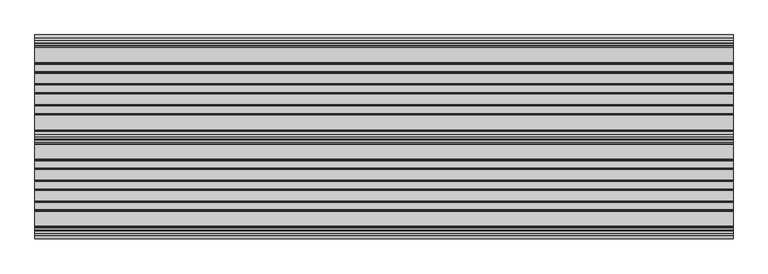
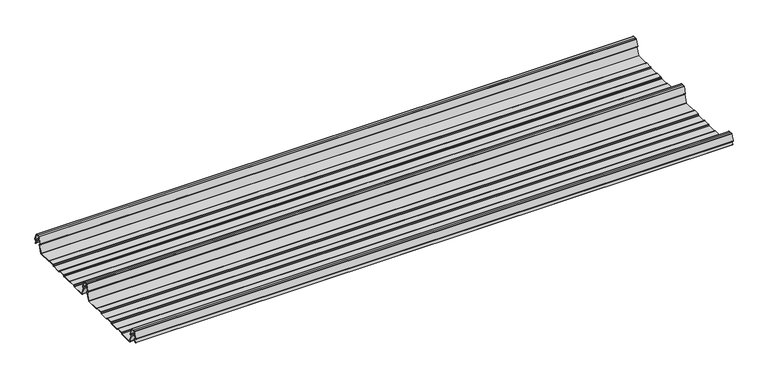
"""IFC4 building model written with IfcOpenShell, lengths in millimetres: beam geometry."""

from ifc_helpers import new_model, si_unit, point, frame, frame_2d, origin, place, context, project, spatial, polyline, circle_curve, trimmed, segment, composite_curve, outline, extrude, source, transform, mapped, element, save


def beam_d12865a1(model_context):
    return source(origin(), model_context, "Body", "SweptSolid", [
        extrude(outline(composite_curve([segment(polyline([(57.3786797, -25.7896475), (18.8637564, -25.7896475)]), True, "CONTINUOUS"), segment(trimmed(circle_curve(frame_2d((18.8637564, -24.0396475)), 1.75), [point((18.8637564, -25.7896475))], [point((17.2192943, -24.6381827))], False, "CARTESIAN"), True, "CONTINUOUS"), segment(polyline([(17.2192943, -24.6381827), (8.3111998, -2.1633943)]), True, "CONTINUOUS"), segment(trimmed(circle_curve(frame_2d((9.9556619, -1.5648591)), 1.75), [point((8.3111998, -2.1633943))], [point((9.5027286, 0.1255111))], False, "CARTESIAN"), True, "CONTINUOUS"), segment(polyline([(9.5027286, 0.1255111), (12.1580524, 0.837003)]), True, "CONTINUOUS"), segment(trimmed(circle_curve(frame_2d((11.8345286, 2.0444103)), 1.25), [point((12.1580524, 0.837003))], [point((13.0091444, 2.4719355))], True, "CARTESIAN"), True, "CONTINUOUS"), segment(polyline([(13.0091444, 2.4719355), (6.1889183, 21.2103525), (0.0, 21.2103525), (-6.1889183, 21.2103525), (-13.0091444, 2.4719355)]), True, "CONTINUOUS"), segment(trimmed(circle_curve(frame_2d((-11.8345286, 2.0444103)), 1.25), [point((-13.0091444, 2.4719355))], [point((-12.1580524, 0.837003))], True, "CARTESIAN"), True, "CONTINUOUS"), segment(polyline([(-12.1580524, 0.837003), (-9.5027286, 0.1255111)]), True, "CONTINUOUS"), segment(trimmed(circle_curve(frame_2d((-9.9556619, -1.5648591)), 1.75), [point((-9.5027286, 0.1255111))], [point((-8.3111998, -2.1633943))], False, "CARTESIAN"), True, "CONTINUOUS"), segment(polyline([(-8.3111998, -2.1633943), (-11.5831563, -10.4184177)]), True, "CONTINUOUS"), segment(trimmed(circle_curve(frame_2d((-12.0479758, -10.2341821)), 0.5), [point((-11.5831563, -10.4184177))], [point((-12.5127954, -10.0499465))], False, "CARTESIAN"), True, "CONTINUOUS"), segment(polyline([(-12.5127954, -10.0499465), (-9.2471414, -1.8108238)]), True, "CONTINUOUS"), segment(trimmed(circle_curve(frame_2d((-9.9556619, -1.5648591)), 0.75), [point((-9.2471414, -1.8108238))], [point((-9.7615476, -0.8404147))], True, "CARTESIAN"), True, "CONTINUOUS"), segment(polyline([(-9.7615476, -0.8404147), (-12.4168715, -0.1289228)]), True, "CONTINUOUS"), segment(trimmed(circle_curve(frame_2d((-11.8345286, 2.0444103)), 2.25), [point((-12.4168715, -0.1289228))], [point((-13.948837, 2.8139556))], False, "CARTESIAN"), True, "CONTINUOUS"), segment(polyline([(-13.948837, 2.8139556), (-7.1273286, 21.5558959)]), True, "CONTINUOUS"), segment(trimmed(circle_curve(frame_2d((-6.1926676, 21.2157071)), 0.9946455), [point((-7.1273286, 21.5558959))], [point((-6.1926676, 22.2103525))], False, "CARTESIAN"), True, "CONTINUOUS"), segment(polyline([(-6.1926676, 22.2103525), (0.0, 22.2103525), (6.1926676, 22.2103525)]), True, "CONTINUOUS"), segment(trimmed(circle_curve(frame_2d((6.1926676, 21.2157071)), 0.9946455), [point((6.1926676, 22.2103525))], [point((7.1273286, 21.5558959))], False, "CARTESIAN"), True, "CONTINUOUS"), segment(polyline([(7.1273286, 21.5558959), (13.948837, 2.8139556)]), True, "CONTINUOUS"), segment(trimmed(circle_curve(frame_2d((11.8345286, 2.0444103)), 2.25), [point((13.948837, 2.8139556))], [point((12.4168715, -0.1289228))], False, "CARTESIAN"), True, "CONTINUOUS"), segment(polyline([(12.4168715, -0.1289228), (9.7615476, -0.8404147)]), True, "CONTINUOUS"), segment(trimmed(circle_curve(frame_2d((9.9556619, -1.5648591)), 0.75), [point((9.7615476, -0.8404147))], [point((9.2471414, -1.8108238))], True, "CARTESIAN"), True, "CONTINUOUS"), segment(polyline([(9.2471414, -1.8108238), (18.1552359, -24.2856122)]), True, "CONTINUOUS"), segment(trimmed(circle_curve(frame_2d((18.8637564, -24.0396475)), 0.75), [point((18.1552359, -24.2856122))], [point((18.8637564, -24.7896475))], True, "CARTESIAN"), True, "CONTINUOUS"), segment(polyline([(18.8637564, -24.7896475), (57.2579599, -24.7896475)]), True, "CONTINUOUS"), segment(trimmed(circle_curve(frame_2d((57.2579599, -23.7482041)), 1.0414433), [point((57.2579599, -24.7896475))], [point((57.9943715, -24.4846158))], True, "CARTESIAN"), True, "CONTINUOUS"), segment(polyline([(57.9943715, -24.4846158), (60.0303301, -22.4486572)]), True, "CONTINUOUS"), segment(trimmed(circle_curve(frame_2d((61.6213203, -24.0396475)), 2.25), [point((60.0303301, -22.4486572))], [point((61.6213203, -21.7896475))], False, "CARTESIAN"), True, "CONTINUOUS"), segment(polyline([(61.6213203, -21.7896475), (80.3786797, -21.7896475)]), True, "CONTINUOUS"), segment(trimmed(circle_curve(frame_2d((80.3786797, -24.0396475)), 2.25), [point((80.3786797, -21.7896475))], [point((81.9696699, -22.4486572))], False, "CARTESIAN"), True, "CONTINUOUS"), segment(polyline([(81.9696699, -22.4486572), (84.0056285, -24.4846158)]), True, "CONTINUOUS"), segment(trimmed(circle_curve(frame_2d((84.7420401, -23.7482041)), 1.0414433), [point((84.0056285, -24.4846158))], [point((84.7420401, -24.7896475))], True, "CARTESIAN"), True, "CONTINUOUS"), segment(polyline([(84.7420401, -24.7896475), (111.2579599, -24.7896475)]), True, "CONTINUOUS"), segment(trimmed(circle_curve(frame_2d((111.2579599, -23.7482041)), 1.0414433), [point((111.2579599, -24.7896475))], [point((111.9943715, -24.4846158))], True, "CARTESIAN"), True, "CONTINUOUS"), segment(polyline([(111.9943715, -24.4846158), (114.0303301, -22.4486572)]), True, "CONTINUOUS"), segment(trimmed(circle_curve(frame_2d((115.6213203, -24.0396475)), 2.25), [point((114.0303301, -22.4486572))], [point((115.6213203, -21.7896475))], False, "CARTESIAN"), True, "CONTINUOUS"), segment(polyline([(115.6213203, -21.7896475), (134.3786797, -21.7896475)]), True, "CONTINUOUS"), segment(trimmed(circle_curve(frame_2d((134.3786797, -24.0396475)), 2.25), [point((134.3786797, -21.7896475))], [point((135.9696699, -22.4486572))], False, "CARTESIAN"), True, "CONTINUOUS"), segment(polyline([(135.9696699, -22.4486572), (138.0056285, -24.4846158)]), True, "CONTINUOUS"), segment(trimmed(circle_curve(frame_2d((138.7420401, -23.7482041)), 1.0414433), [point((138.0056285, -24.4846158))], [point((138.7420401, -24.7896475))], True, "CARTESIAN"), True, "CONTINUOUS"), segment(polyline([(138.7420401, -24.7896475), (165.2579599, -24.7896475)]), True, "CONTINUOUS"), segment(trimmed(circle_curve(frame_2d((165.2579599, -23.7482041)), 1.0414433), [point((165.2579599, -24.7896475))], [point((165.9943715, -24.4846158))], True, "CARTESIAN"), True, "CONTINUOUS"), segment(polyline([(165.9943715, -24.4846158), (168.0303301, -22.4486572)]), True, "CONTINUOUS"), segment(trimmed(circle_curve(frame_2d((169.6213203, -24.0396475)), 2.25), [point((168.0303301, -22.4486572))], [point((169.6213203, -21.7896475))], False, "CARTESIAN"), True, "CONTINUOUS"), segment(polyline([(169.6213203, -21.7896475), (188.3786797, -21.7896475)]), True, "CONTINUOUS"), segment(trimmed(circle_curve(frame_2d((188.3786797, -24.0396475)), 2.25), [point((188.3786797, -21.7896475))], [point((189.9696699, -22.4486572))], False, "CARTESIAN"), True, "CONTINUOUS"), segment(polyline([(189.9696699, -22.4486572), (192.0056285, -24.4846158)]), True, "CONTINUOUS"), segment(trimmed(circle_curve(frame_2d((192.7420401, -23.7482041)), 1.0414433), [point((192.0056285, -24.4846158))], [point((192.7420401, -24.7896475))], True, "CARTESIAN"), True, "CONTINUOUS"), segment(polyline([(192.7420401, -24.7896475), (231.1362436, -24.7896475)]), True, "CONTINUOUS"), segment(trimmed(circle_curve(frame_2d((231.1362436, -24.0396475)), 0.75), [point((231.1362436, -24.7896475))], [point((231.8447641, -24.2856122))], True, "CARTESIAN"), True, "CONTINUOUS"), segment(polyline([(231.8447641, -24.2856122), (240.7528586, -1.8108238)]), True, "CONTINUOUS"), segment(trimmed(circle_curve(frame_2d((240.0443381, -1.5648591)), 0.75), [point((240.7528586, -1.8108238))], [point((240.2384524, -0.8404147))], True, "CARTESIAN"), True, "CONTINUOUS"), segment(polyline([(240.2384524, -0.8404147), (237.5831285, -0.1289228)]), True, "CONTINUOUS"), segment(trimmed(circle_curve(frame_2d((238.1654714, 2.0444103)), 2.25), [point((237.5831285, -0.1289228))], [point((236.051163, 2.8139556))], False, "CARTESIAN"), True, "CONTINUOUS"), segment(polyline([(236.051163, 2.8139556), (242.8726714, 21.5558959)]), True, "CONTINUOUS"), segment(trimmed(circle_curve(frame_2d((243.8073324, 21.2157071)), 0.9946455), [point((242.8726714, 21.5558959))], [point((243.8073324, 22.2103525))], False, "CARTESIAN"), True, "CONTINUOUS"), segment(polyline([(243.8073324, 22.2103525), (250.0, 22.2103525), (256.1926676, 22.2103525)]), True, "CONTINUOUS"), segment(trimmed(circle_curve(frame_2d((256.1926676, 21.2157071)), 0.9946455), [point((256.1926676, 22.2103525))], [point((257.1273286, 21.5558959))], False, "CARTESIAN"), True, "CONTINUOUS"), segment(polyline([(257.1273286, 21.5558959), (263.948837, 2.8139556)]), True, "CONTINUOUS"), segment(trimmed(circle_curve(frame_2d((261.8345286, 2.0444103)), 2.25), [point((263.948837, 2.8139556))], [point((262.4168715, -0.1289228))], False, "CARTESIAN"), True, "CONTINUOUS"), segment(polyline([(262.4168715, -0.1289228), (259.7615476, -0.8404147)]), True, "CONTINUOUS"), segment(trimmed(circle_curve(frame_2d((259.9556619, -1.5648591)), 0.75), [point((259.7615476, -0.8404147))], [point((259.2471414, -1.8108238))], True, "CARTESIAN"), True, "CONTINUOUS"), segment(polyline([(259.2471414, -1.8108238), (268.1552359, -24.2856122)]), True, "CONTINUOUS"), segment(trimmed(circle_curve(frame_2d((268.8637564, -24.0396475)), 0.75), [point((268.1552359, -24.2856122))], [point((268.8637564, -24.7896475))], True, "CARTESIAN"), True, "CONTINUOUS"), segment(polyline([(268.8637564, -24.7896475), (307.2579599, -24.7896475)]), True, "CONTINUOUS"), segment(trimmed(circle_curve(frame_2d((307.2579599, -23.7482041)), 1.0414433), [point((307.2579599, -24.7896475))], [point((307.9943715, -24.4846158))], True, "CARTESIAN"), True, "CONTINUOUS"), segment(polyline([(307.9943715, -24.4846158), (310.0303301, -22.4486572)]), True, "CONTINUOUS"), segment(trimmed(circle_curve(frame_2d((311.6213203, -24.0396475)), 2.25), [point((310.0303301, -22.4486572))], [point((311.6213203, -21.7896475))], False, "CARTESIAN"), True, "CONTINUOUS"), segment(polyline([(311.6213203, -21.7896475), (330.3786797, -21.7896475)]), True, "CONTINUOUS"), segment(trimmed(circle_curve(frame_2d((330.3786797, -24.0396475)), 2.25), [point((330.3786797, -21.7896475))], [point((331.9696699, -22.4486572))], False, "CARTESIAN"), True, "CONTINUOUS"), segment(polyline([(331.9696699, -22.4486572), (334.0056285, -24.4846158)]), True, "CONTINUOUS"), segment(trimmed(circle_curve(frame_2d((334.7420401, -23.7482041)), 1.0414433), [point((334.0056285, -24.4846158))], [point((334.7420401, -24.7896475))], True, "CARTESIAN"), True, "CONTINUOUS"), segment(polyline([(334.7420401, -24.7896475), (361.2579599, -24.7896475)]), True, "CONTINUOUS"), segment(trimmed(circle_curve(frame_2d((361.2579599, -23.7482041)), 1.0414433), [point((361.2579599, -24.7896475))], [point((361.9943715, -24.4846158))], True, "CARTESIAN"), True, "CONTINUOUS"), segment(polyline([(361.9943715, -24.4846158), (364.0303301, -22.4486572)]), True, "CONTINUOUS"), segment(trimmed(circle_curve(frame_2d((365.6213203, -24.0396475)), 2.25), [point((364.0303301, -22.4486572))], [point((365.6213203, -21.7896475))], False, "CARTESIAN"), True, "CONTINUOUS"), segment(polyline([(365.6213203, -21.7896475), (384.3786797, -21.7896475)]), True, "CONTINUOUS"), segment(trimmed(circle_curve(frame_2d((384.3786797, -24.0396475)), 2.25), [point((384.3786797, -21.7896475))], [point((385.9696699, -22.4486572))], False, "CARTESIAN"), True, "CONTINUOUS"), segment(polyline([(385.9696699, -22.4486572), (388.0056285, -24.4846158)]), True, "CONTINUOUS"), segment(trimmed(circle_curve(frame_2d((388.7420401, -23.7482041)), 1.0414433), [point((388.0056285, -24.4846158))], [point((388.7420401, -24.7896475))], True, "CARTESIAN"), True, "CONTINUOUS"), segment(polyline([(388.7420401, -24.7896475), (415.2579599, -24.7896475)]), True, "CONTINUOUS"), segment(trimmed(circle_curve(frame_2d((415.2579599, -23.7482041)), 1.0414433), [point((415.2579599, -24.7896475))], [point((415.9943715, -24.4846158))], True, "CARTESIAN"), True, "CONTINUOUS"), segment(polyline([(415.9943715, -24.4846158), (418.0303301, -22.4486572)]), True, "CONTINUOUS"), segment(trimmed(circle_curve(frame_2d((419.6213203, -24.0396475)), 2.25), [point((418.0303301, -22.4486572))], [point((419.6213203, -21.7896475))], False, "CARTESIAN"), True, "CONTINUOUS"), segment(polyline([(419.6213203, -21.7896475), (438.3786797, -21.7896475)]), True, "CONTINUOUS"), segment(trimmed(circle_curve(frame_2d((438.3786797, -24.0396475)), 2.25), [point((438.3786797, -21.7896475))], [point((439.9696699, -22.4486572))], False, "CARTESIAN"), True, "CONTINUOUS"), segment(polyline([(439.9696699, -22.4486572), (442.0056285, -24.4846158)]), True, "CONTINUOUS"), segment(trimmed(circle_curve(frame_2d((442.7420401, -23.7482041)), 1.0414433), [point((442.0056285, -24.4846158))], [point((442.7420401, -24.7896475))], True, "CARTESIAN"), True, "CONTINUOUS"), segment(polyline([(442.7420401, -24.7896475), (481.1362436, -24.7896475)]), True, "CONTINUOUS"), segment(trimmed(circle_curve(frame_2d((481.1362436, -24.0396475)), 0.75), [point((481.1362436, -24.7896475))], [point((481.8447641, -24.2856122))], True, "CARTESIAN"), True, "CONTINUOUS"), segment(polyline([(481.8447641, -24.2856122), (490.7528586, -1.8108238)]), True, "CONTINUOUS"), segment(trimmed(circle_curve(frame_2d((490.0443381, -1.5648591)), 0.75), [point((490.7528586, -1.8108238))], [point((490.2384524, -0.8404147))], True, "CARTESIAN"), True, "CONTINUOUS"), segment(polyline([(490.2384524, -0.8404147), (487.5831285, -0.1289228)]), True, "CONTINUOUS"), segment(trimmed(circle_curve(frame_2d((488.1654714, 2.0444103)), 2.25), [point((487.5831285, -0.1289228))], [point((486.051163, 2.8139556))], False, "CARTESIAN"), True, "CONTINUOUS"), segment(polyline([(486.051163, 2.8139556), (492.8726714, 21.5558959)]), True, "CONTINUOUS"), segment(trimmed(circle_curve(frame_2d((493.8073324, 21.2157071)), 0.9946455), [point((492.8726714, 21.5558959))], [point((493.8073324, 22.2103525))], False, "CARTESIAN"), True, "CONTINUOUS"), segment(polyline([(493.8073324, 22.2103525), (500.0, 22.2103525), (506.1926676, 22.2103525)]), True, "CONTINUOUS"), segment(trimmed(circle_curve(frame_2d((506.1926676, 21.2157071)), 0.9946455), [point((506.1926676, 22.2103525))], [point((507.1273286, 21.5558959))], False, "CARTESIAN"), True, "CONTINUOUS"), segment(polyline([(507.1273286, 21.5558959), (513.948837, 2.8139556)]), True, "CONTINUOUS"), segment(trimmed(circle_curve(frame_2d((511.8345286, 2.0444103)), 2.25), [point((513.948837, 2.8139556))], [point((512.4168715, -0.1289228))], False, "CARTESIAN"), True, "CONTINUOUS"), segment(polyline([(512.4168715, -0.1289228), (509.7615476, -0.8404147)]), True, "CONTINUOUS"), segment(trimmed(circle_curve(frame_2d((509.9556619, -1.5648591)), 0.75), [point((509.7615476, -0.8404147))], [point((509.2471414, -1.8108238))], True, "CARTESIAN"), True, "CONTINUOUS"), segment(polyline([(509.2471414, -1.8108238), (512.5127954, -10.0499465)]), True, "CONTINUOUS"), segment(trimmed(circle_curve(frame_2d((512.0479758, -10.2341821)), 0.5), [point((512.5127954, -10.0499465))], [point((511.5831563, -10.4184177))], False, "CARTESIAN"), True, "CONTINUOUS"), segment(polyline([(511.5831563, -10.4184177), (508.3111998, -2.1633943)]), True, "CONTINUOUS"), segment(trimmed(circle_curve(frame_2d((509.9556619, -1.5648591)), 1.75), [point((508.3111998, -2.1633943))], [point((509.5027286, 0.1255111))], False, "CARTESIAN"), True, "CONTINUOUS"), segment(polyline([(509.5027286, 0.1255111), (512.1580524, 0.837003)]), True, "CONTINUOUS"), segment(trimmed(circle_curve(frame_2d((511.8345286, 2.0444103)), 1.25), [point((512.1580524, 0.837003))], [point((513.0091444, 2.4719355))], True, "CARTESIAN"), True, "CONTINUOUS"), segment(polyline([(513.0091444, 2.4719355), (506.1889183, 21.2103525), (500.0, 21.2103525), (493.8110817, 21.2103525), (486.9908556, 2.4719355)]), True, "CONTINUOUS"), segment(trimmed(circle_curve(frame_2d((488.1654714, 2.0444103)), 1.25), [point((486.9908556, 2.4719355))], [point((487.8419476, 0.837003))], True, "CARTESIAN"), True, "CONTINUOUS"), segment(polyline([(487.8419476, 0.837003), (490.4972714, 0.1255111)]), True, "CONTINUOUS"), segment(trimmed(circle_curve(frame_2d((490.0443381, -1.5648591)), 1.75), [point((490.4972714, 0.1255111))], [point((491.6888002, -2.1633943))], False, "CARTESIAN"), True, "CONTINUOUS"), segment(polyline([(491.6888002, -2.1633943), (482.7807057, -24.6381827)]), True, "CONTINUOUS"), segment(trimmed(circle_curve(frame_2d((481.1362436, -24.0396475)), 1.75), [point((482.7807057, -24.6381827))], [point((481.1362436, -25.7896475))], False, "CARTESIAN"), True, "CONTINUOUS"), segment(polyline([(481.1362436, -25.7896475), (442.6213203, -25.7896475)]), True, "CONTINUOUS"), segment(trimmed(circle_curve(frame_2d((442.6213203, -24.0396475)), 1.75), [point((442.6213203, -25.7896475))], [point((441.3838835, -25.2770843))], False, "CARTESIAN"), True, "CONTINUOUS"), segment(polyline([(441.3838835, -25.2770843), (439.2211155, -23.1143163)]), True, "CONTINUOUS"), segment(trimmed(circle_curve(frame_2d((438.4372955, -23.8981363)), 1.1084889), [point((439.2211155, -23.1143163))], [point((438.4372955, -22.7896475))], True, "CARTESIAN"), True, "CONTINUOUS"), segment(polyline([(438.4372955, -22.7896475), (419.5627045, -22.7896475)]), True, "CONTINUOUS"), segment(trimmed(circle_curve(frame_2d((419.5627045, -23.8981363)), 1.1084889), [point((419.5627045, -22.7896475))], [point((418.7788845, -23.1143163))], True, "CARTESIAN"), True, "CONTINUOUS"), segment(polyline([(418.7788845, -23.1143163), (416.6161165, -25.2770843)]), True, "CONTINUOUS"), segment(trimmed(circle_curve(frame_2d((415.3786797, -24.0396475)), 1.75), [point((416.6161165, -25.2770843))], [point((415.3786797, -25.7896475))], False, "CARTESIAN"), True, "CONTINUOUS"), segment(polyline([(415.3786797, -25.7896475), (388.6213203, -25.7896475)]), True, "CONTINUOUS"), segment(trimmed(circle_curve(frame_2d((388.6213203, -24.0396475)), 1.75), [point((388.6213203, -25.7896475))], [point((387.3838835, -25.2770843))], False, "CARTESIAN"), True, "CONTINUOUS"), segment(polyline([(387.3838835, -25.2770843), (385.2211155, -23.1143163)]), True, "CONTINUOUS"), segment(trimmed(circle_curve(frame_2d((384.4372955, -23.8981363)), 1.1084889), [point((385.2211155, -23.1143163))], [point((384.4372955, -22.7896475))], True, "CARTESIAN"), True, "CONTINUOUS"), segment(polyline([(384.4372955, -22.7896475), (365.5627045, -22.7896475)]), True, "CONTINUOUS"), segment(trimmed(circle_curve(frame_2d((365.5627045, -23.8981363)), 1.1084889), [point((365.5627045, -22.7896475))], [point((364.7788845, -23.1143163))], True, "CARTESIAN"), True, "CONTINUOUS"), segment(polyline([(364.7788845, -23.1143163), (362.6161165, -25.2770843)]), True, "CONTINUOUS"), segment(trimmed(circle_curve(frame_2d((361.3786797, -24.0396475)), 1.75), [point((362.6161165, -25.2770843))], [point((361.3786797, -25.7896475))], False, "CARTESIAN"), True, "CONTINUOUS"), segment(polyline([(361.3786797, -25.7896475), (334.6213203, -25.7896475)]), True, "CONTINUOUS"), segment(trimmed(circle_curve(frame_2d((334.6213203, -24.0396475)), 1.75), [point((334.6213203, -25.7896475))], [point((333.3838835, -25.2770843))], False, "CARTESIAN"), True, "CONTINUOUS"), segment(polyline([(333.3838835, -25.2770843), (331.2211155, -23.1143163)]), True, "CONTINUOUS"), segment(trimmed(circle_curve(frame_2d((330.4372955, -23.8981363)), 1.1084889), [point((331.2211155, -23.1143163))], [point((330.4372955, -22.7896475))], True, "CARTESIAN"), True, "CONTINUOUS"), segment(polyline([(330.4372955, -22.7896475), (311.5627045, -22.7896475)]), True, "CONTINUOUS"), segment(trimmed(circle_curve(frame_2d((311.5627045, -23.8981363)), 1.1084889), [point((311.5627045, -22.7896475))], [point((310.7788845, -23.1143163))], True, "CARTESIAN"), True, "CONTINUOUS"), segment(polyline([(310.7788845, -23.1143163), (308.6161165, -25.2770843)]), True, "CONTINUOUS"), segment(trimmed(circle_curve(frame_2d((307.3786797, -24.0396475)), 1.75), [point((308.6161165, -25.2770843))], [point((307.3786797, -25.7896475))], False, "CARTESIAN"), True, "CONTINUOUS"), segment(polyline([(307.3786797, -25.7896475), (268.8637564, -25.7896475)]), True, "CONTINUOUS"), segment(trimmed(circle_curve(frame_2d((268.8637564, -24.0396475)), 1.75), [point((268.8637564, -25.7896475))], [point((267.2192943, -24.6381827))], False, "CARTESIAN"), True, "CONTINUOUS"), segment(polyline([(267.2192943, -24.6381827), (258.3111998, -2.1633943)]), True, "CONTINUOUS"), segment(trimmed(circle_curve(frame_2d((259.9556619, -1.5648591)), 1.75), [point((258.3111998, -2.1633943))], [point((259.5027286, 0.1255111))], False, "CARTESIAN"), True, "CONTINUOUS"), segment(polyline([(259.5027286, 0.1255111), (262.1580524, 0.837003)]), True, "CONTINUOUS"), segment(trimmed(circle_curve(frame_2d((261.8345286, 2.0444103)), 1.25), [point((262.1580524, 0.837003))], [point((263.0091444, 2.4719355))], True, "CARTESIAN"), True, "CONTINUOUS"), segment(polyline([(263.0091444, 2.4719355), (256.1889183, 21.2103525), (250.0, 21.2103525), (243.8110817, 21.2103525), (236.9908556, 2.4719355)]), True, "CONTINUOUS"), segment(trimmed(circle_curve(frame_2d((238.1654714, 2.0444103)), 1.25), [point((236.9908556, 2.4719355))], [point((237.8419476, 0.837003))], True, "CARTESIAN"), True, "CONTINUOUS"), segment(polyline([(237.8419476, 0.837003), (240.4972714, 0.1255111)]), True, "CONTINUOUS"), segment(trimmed(circle_curve(frame_2d((240.0443381, -1.5648591)), 1.75), [point((240.4972714, 0.1255111))], [point((241.6888002, -2.1633943))], False, "CARTESIAN"), True, "CONTINUOUS"), segment(polyline([(241.6888002, -2.1633943), (232.7807057, -24.6381827)]), True, "CONTINUOUS"), segment(trimmed(circle_curve(frame_2d((231.1362436, -24.0396475)), 1.75), [point((232.7807057, -24.6381827))], [point((231.1362436, -25.7896475))], False, "CARTESIAN"), True, "CONTINUOUS"), segment(polyline([(231.1362436, -25.7896475), (192.6213203, -25.7896475)]), True, "CONTINUOUS"), segment(trimmed(circle_curve(frame_2d((192.6213203, -24.0396475)), 1.75), [point((192.6213203, -25.7896475))], [point((191.3838835, -25.2770843))], False, "CARTESIAN"), True, "CONTINUOUS"), segment(polyline([(191.3838835, -25.2770843), (189.2211155, -23.1143163)]), True, "CONTINUOUS"), segment(trimmed(circle_curve(frame_2d((188.4372955, -23.8981363)), 1.1084889), [point((189.2211155, -23.1143163))], [point((188.4372955, -22.7896475))], True, "CARTESIAN"), True, "CONTINUOUS"), segment(polyline([(188.4372955, -22.7896475), (169.5627045, -22.7896475)]), True, "CONTINUOUS"), segment(trimmed(circle_curve(frame_2d((169.5627045, -23.8981363)), 1.1084889), [point((169.5627045, -22.7896475))], [point((168.7788845, -23.1143163))], True, "CARTESIAN"), True, "CONTINUOUS"), segment(polyline([(168.7788845, -23.1143163), (166.6161165, -25.2770843)]), True, "CONTINUOUS"), segment(trimmed(circle_curve(frame_2d((165.3786797, -24.0396475)), 1.75), [point((166.6161165, -25.2770843))], [point((165.3786797, -25.7896475))], False, "CARTESIAN"), True, "CONTINUOUS"), segment(polyline([(165.3786797, -25.7896475), (138.6213203, -25.7896475)]), True, "CONTINUOUS"), segment(trimmed(circle_curve(frame_2d((138.6213203, -24.0396475)), 1.75), [point((138.6213203, -25.7896475))], [point((137.3838835, -25.2770843))], False, "CARTESIAN"), True, "CONTINUOUS"), segment(polyline([(137.3838835, -25.2770843), (135.2211155, -23.1143163)]), True, "CONTINUOUS"), segment(trimmed(circle_curve(frame_2d((134.4372955, -23.8981363)), 1.1084889), [point((135.2211155, -23.1143163))], [point((134.4372955, -22.7896475))], True, "CARTESIAN"), True, "CONTINUOUS"), segment(polyline([(134.4372955, -22.7896475), (115.5627045, -22.7896475)]), True, "CONTINUOUS"), segment(trimmed(circle_curve(frame_2d((115.5627045, -23.8981363)), 1.1084889), [point((115.5627045, -22.7896475))], [point((114.7788845, -23.1143163))], True, "CARTESIAN"), True, "CONTINUOUS"), segment(polyline([(114.7788845, -23.1143163), (112.6161165, -25.2770843)]), True, "CONTINUOUS"), segment(trimmed(circle_curve(frame_2d((111.3786797, -24.0396475)), 1.75), [point((112.6161165, -25.2770843))], [point((111.3786797, -25.7896475))], False, "CARTESIAN"), True, "CONTINUOUS"), segment(polyline([(111.3786797, -25.7896475), (84.6213203, -25.7896475)]), True, "CONTINUOUS"), segment(trimmed(circle_curve(frame_2d((84.6213203, -24.0396475)), 1.75), [point((84.6213203, -25.7896475))], [point((83.3838835, -25.2770843))], False, "CARTESIAN"), True, "CONTINUOUS"), segment(polyline([(83.3838835, -25.2770843), (81.2211155, -23.1143163)]), True, "CONTINUOUS"), segment(trimmed(circle_curve(frame_2d((80.4372955, -23.8981363)), 1.1084889), [point((81.2211155, -23.1143163))], [point((80.4372955, -22.7896475))], True, "CARTESIAN"), True, "CONTINUOUS"), segment(polyline([(80.4372955, -22.7896475), (61.5627045, -22.7896475)]), True, "CONTINUOUS"), segment(trimmed(circle_curve(frame_2d((61.5627045, -23.8981363)), 1.1084889), [point((61.5627045, -22.7896475))], [point((60.7788845, -23.1143163))], True, "CARTESIAN"), True, "CONTINUOUS"), segment(polyline([(60.7788845, -23.1143163), (58.6161165, -25.2770843)]), True, "CONTINUOUS"), segment(trimmed(circle_curve(frame_2d((57.3786797, -24.0396475)), 1.75), [point((58.6161165, -25.2770843))], [point((57.3786797, -25.7896475))], False, "CARTESIAN"), True, "CONTINUOUS")], self_intersect=False)), frame((-905.0, 0.0, 0.0), z_axis=(1.0, 0.0, 0.0), x_axis=(0.0, 1.0, 0.0)), (0.0, 0.0, 1.0), 1810.0),
    ])


if __name__ == "__main__":
    model = new_model("IFC4")
    model_context = context("Model", 3, world=origin())
    ifc_project = project(units=[si_unit("LENGTHUNIT", "METRE", prefix="MILLI")], contexts=[model_context])
    site = spatial("IfcSite", under=ifc_project)
    building = spatial("IfcBuilding", under=site)
    placement = place(None, origin())
    beam_shape = beam_d12865a1(model_context)
    element("IfcBeam", 1, at=placement, inside=building, context=model_context, shape_type="MappedRepresentation", body=[
        mapped(beam_shape, transform((0.0, 0.0, 0.0), x_axis=(1.0, 0.0, 0.0), y_axis=(0.0, 1.0, 0.0), z_axis=(0.0, 0.0, 1.0))),
    ])
    save(model, "model.ifc")
